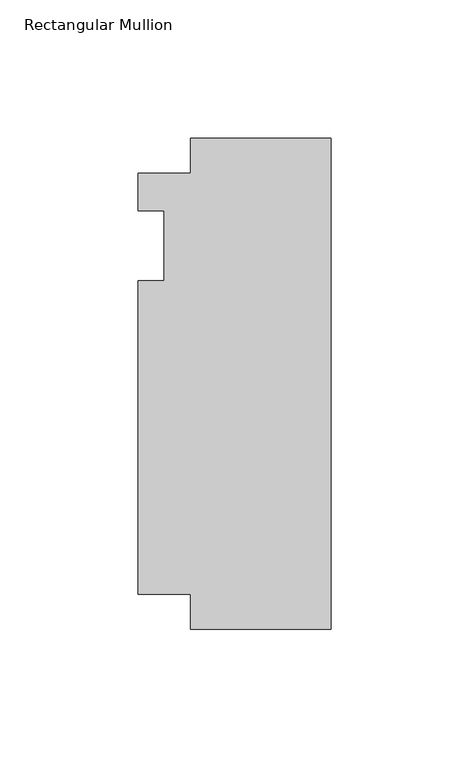
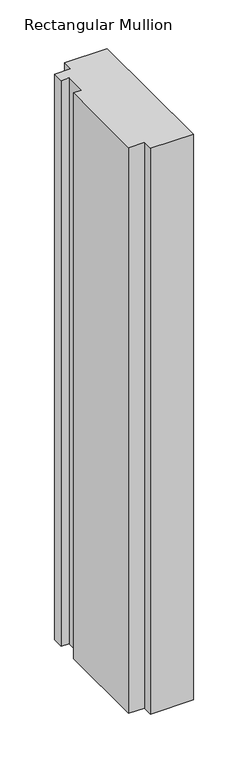
"""IFC4 building model written with IfcOpenShell, lengths in millimetres: member geometry, Rectangular Mullion."""

from ifc_helpers import new_model, si_unit, frame, origin, place, context, project, spatial, polyline, outline, extrude, source, transform, mapped, element, save


def rectangular_mullion_458d4be4(model_context):
    return source(origin(), model_context, "Body", "SweptSolid", [
        extrude(outline(polyline([(-69.85, 26.19375), (-50.8, 26.19375), (-50.8, 38.8943162), (0.0, 38.8943162), (0.0, -138.9068162), (-50.8, -138.9068162), (-50.8, -126.20625), (-69.85, -126.20625), (-69.85, -12.7), (-60.325, -12.7), (-60.325, 12.7), (-69.85, 12.7), (-69.85, 26.19375)])), frame((0.0, 0.0, -711.2), z_axis=(0.0, 0.0, 1.0), x_axis=(1.0, 0.0, 0.0)), (0.0, 0.0, 1.0), 711.2),
    ])


if __name__ == "__main__":
    model = new_model("IFC4")
    model_context = context("Model", 3, world=origin())
    ifc_project = project(units=[si_unit("LENGTHUNIT", "METRE", prefix="MILLI")], contexts=[model_context])
    site = spatial("IfcSite", under=ifc_project)
    building = spatial("IfcBuilding", under=site)
    placement = place(None, origin())
    rectangular_mullion_shape = rectangular_mullion_458d4be4(model_context)
    element("IfcMember", 1, ObjectType="Rectangular Mullion", at=placement, inside=building, context=model_context, shape_type="MappedRepresentation", body=[
        mapped(rectangular_mullion_shape, transform((0.0, 0.0, 0.0), x_axis=(1.0, 0.0, 0.0), y_axis=(0.0, 1.0, 0.0), z_axis=(0.0, 0.0, 1.0))),
    ])
    save(model, "model.ifc")
